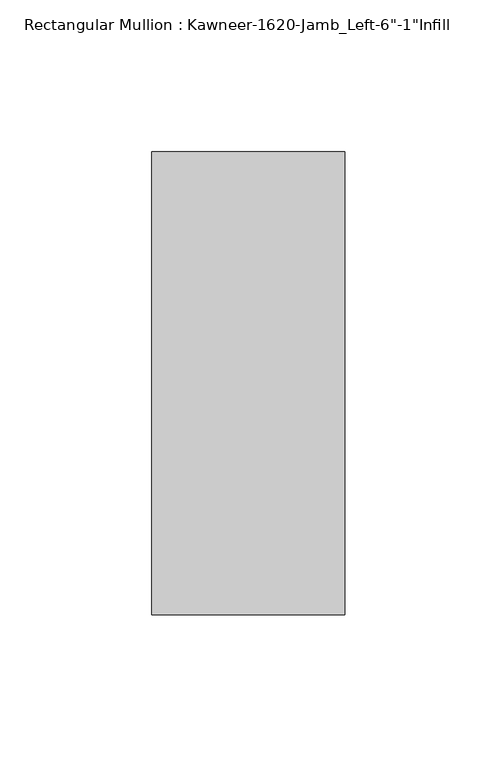
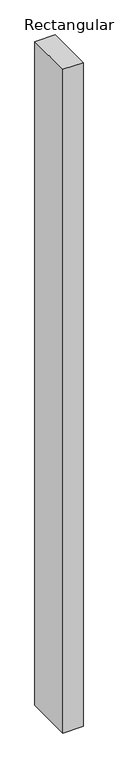
"""IFC4 building model written with IfcOpenShell, lengths in millimetres: member geometry."""

from ifc_helpers import new_model, si_unit, frame, origin, place, context, project, spatial, polyline, outline, extrude, source, transform, mapped, element, save


def member_33968455(model_context):
    return source(origin(), model_context, "Body", "SweptSolid", [
        extrude(outline(polyline([(-63.5, 38.1), (0.0, 38.1), (0.0, -114.3), (-63.5, -114.3), (-63.5, 38.1)])), frame((0.0, 0.0, -2206.625), z_axis=(0.0, 0.0, 1.0), x_axis=(1.0, 0.0, 0.0)), (0.0, 0.0, 1.0), 2206.625),
    ])


if __name__ == "__main__":
    model = new_model("IFC4")
    model_context = context("Model", 3, world=origin())
    ifc_project = project(units=[si_unit("LENGTHUNIT", "METRE", prefix="MILLI")], contexts=[model_context])
    site = spatial("IfcSite", under=ifc_project)
    building = spatial("IfcBuilding", under=site)
    placement = place(None, origin())
    member_shape = member_33968455(model_context)
    element("IfcMember", 1, ObjectType="Rectangular Mullion : Kawneer-1620-Jamb_Left-6\"-1\"Infill", at=placement, inside=building, context=model_context, shape_type="MappedRepresentation", body=[
        mapped(member_shape, transform((0.0, 0.0, 0.0), x_axis=(1.0, 0.0, 0.0), y_axis=(0.0, 1.0, 0.0), z_axis=(0.0, 0.0, 1.0))),
    ])
    save(model, "model.ifc")
